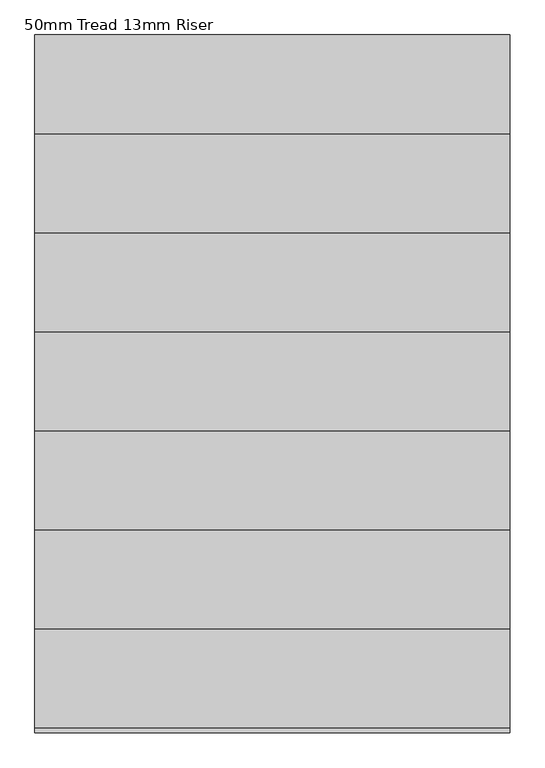
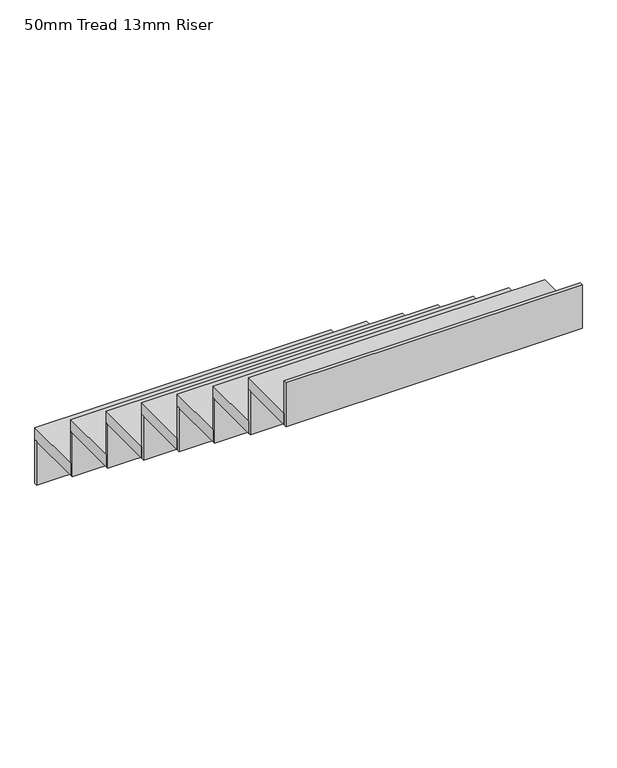
"""IFC4 building model written with IfcOpenShell, lengths in millimetres: stair flight geometry, 50mm Tread 13mm Riser."""

from ifc_helpers import new_model, si_unit, frame, origin, place, context, project, spatial, polyline, outline, extrude, source, transform, mapped, element, save


def stair_flight_50mm_tread_13mm_riser_bc210bd3(model_context):
    return source(origin(), model_context, "Body", "SweptSolid", [
        extrude(outline(polyline([(-20882.9044643, 2815.3449078), (-20882.9044643, 2827.8449078), (-19682.9044643, 2827.8449078), (-19682.9044643, 2815.3449078), (-20882.9044643, 2815.3449078)])), frame((0.0, 0.0, -1550.0), z_axis=(0.0, 0.0, 1.0), x_axis=(1.0, 0.0, 0.0)), (0.0, 0.0, 1.0), 187.5),
        extrude(outline(polyline([(-19682.9044643, 2577.8449078), (-20882.9044643, 2577.8449078), (-20882.9044643, 2827.8449078), (-19682.9044643, 2827.8449078), (-19682.9044643, 2577.8449078)])), frame((0.0, 0.0, -1362.5), z_axis=(0.0, 0.0, 1.0), x_axis=(1.0, 0.0, 0.0)), (0.0, 0.0, 1.0), 50.0),
        extrude(outline(polyline([(-20882.9044643, 2565.3449078), (-20882.9044643, 2577.8449078), (-19682.9044643, 2577.8449078), (-19682.9044643, 2565.3449078), (-20882.9044643, 2565.3449078)])), frame((0.0, 0.0, -1362.5), z_axis=(0.0, 0.0, 1.0), x_axis=(1.0, 0.0, 0.0)), (0.0, 0.0, 1.0), 187.5),
        extrude(outline(polyline([(-19682.9044643, 2327.8449078), (-20882.9044643, 2327.8449078), (-20882.9044643, 2577.8449078), (-19682.9044643, 2577.8449078), (-19682.9044643, 2327.8449078)])), frame((0.0, 0.0, -1175.0), z_axis=(0.0, 0.0, 1.0), x_axis=(1.0, 0.0, 0.0)), (0.0, 0.0, 1.0), 50.0),
        extrude(outline(polyline([(-20882.9044643, 2315.3449078), (-20882.9044643, 2327.8449078), (-19682.9044643, 2327.8449078), (-19682.9044643, 2315.3449078), (-20882.9044643, 2315.3449078)])), frame((0.0, 0.0, -1175.0), z_axis=(0.0, 0.0, 1.0), x_axis=(1.0, 0.0, 0.0)), (0.0, 0.0, 1.0), 187.5),
        extrude(outline(polyline([(-19682.9044643, 2077.8449078), (-20882.9044643, 2077.8449078), (-20882.9044643, 2327.8449078), (-19682.9044643, 2327.8449078), (-19682.9044643, 2077.8449078)])), frame((0.0, 0.0, -987.5), z_axis=(0.0, 0.0, 1.0), x_axis=(1.0, 0.0, 0.0)), (0.0, 0.0, 1.0), 50.0),
        extrude(outline(polyline([(-20882.9044643, 2065.3449078), (-20882.9044643, 2077.8449078), (-19682.9044643, 2077.8449078), (-19682.9044643, 2065.3449078), (-20882.9044643, 2065.3449078)])), frame((0.0, 0.0, -987.5), z_axis=(0.0, 0.0, 1.0), x_axis=(1.0, 0.0, 0.0)), (0.0, 0.0, 1.0), 187.5),
        extrude(outline(polyline([(-19682.9044643, 1827.8449078), (-20882.9044643, 1827.8449078), (-20882.9044643, 2077.8449078), (-19682.9044643, 2077.8449078), (-19682.9044643, 1827.8449078)])), frame((0.0, 0.0, -800.0), z_axis=(0.0, 0.0, 1.0), x_axis=(1.0, 0.0, 0.0)), (0.0, 0.0, 1.0), 50.0),
        extrude(outline(polyline([(-20882.9044643, 1815.3449078), (-20882.9044643, 1827.8449078), (-19682.9044643, 1827.8449078), (-19682.9044643, 1815.3449078), (-20882.9044643, 1815.3449078)])), frame((0.0, 0.0, -800.0), z_axis=(0.0, 0.0, 1.0), x_axis=(1.0, 0.0, 0.0)), (0.0, 0.0, 1.0), 187.5),
        extrude(outline(polyline([(-19682.9044643, 1577.8449078), (-20882.9044643, 1577.8449078), (-20882.9044643, 1827.8449078), (-19682.9044643, 1827.8449078), (-19682.9044643, 1577.8449078)])), frame((0.0, 0.0, -612.5), z_axis=(0.0, 0.0, 1.0), x_axis=(1.0, 0.0, 0.0)), (0.0, 0.0, 1.0), 50.0),
        extrude(outline(polyline([(-20882.9044643, 1565.3449078), (-20882.9044643, 1577.8449078), (-19682.9044643, 1577.8449078), (-19682.9044643, 1565.3449078), (-20882.9044643, 1565.3449078)])), frame((0.0, 0.0, -612.5), z_axis=(0.0, 0.0, 1.0), x_axis=(1.0, 0.0, 0.0)), (0.0, 0.0, 1.0), 187.5),
        extrude(outline(polyline([(-19682.9044643, 1327.8449078), (-20882.9044643, 1327.8449078), (-20882.9044643, 1577.8449078), (-19682.9044643, 1577.8449078), (-19682.9044643, 1327.8449078)])), frame((0.0, 0.0, -425.0), z_axis=(0.0, 0.0, 1.0), x_axis=(1.0, 0.0, 0.0)), (0.0, 0.0, 1.0), 50.0),
        extrude(outline(polyline([(-20882.9044643, 1315.3449078), (-20882.9044643, 1327.8449078), (-19682.9044643, 1327.8449078), (-19682.9044643, 1315.3449078), (-20882.9044643, 1315.3449078)])), frame((0.0, 0.0, -425.0), z_axis=(0.0, 0.0, 1.0), x_axis=(1.0, 0.0, 0.0)), (0.0, 0.0, 1.0), 187.5),
        extrude(outline(polyline([(-19682.9044643, 1077.8449078), (-20882.9044643, 1077.8449078), (-20882.9044643, 1327.8449078), (-19682.9044643, 1327.8449078), (-19682.9044643, 1077.8449078)])), frame((0.0, 0.0, -237.5), z_axis=(0.0, 0.0, 1.0), x_axis=(1.0, 0.0, 0.0)), (0.0, 0.0, 1.0), 50.0),
        extrude(outline(polyline([(-20882.9044643, 1065.3449078), (-20882.9044643, 1077.8449078), (-19682.9044643, 1077.8449078), (-19682.9044643, 1065.3449078), (-20882.9044643, 1065.3449078)])), frame((0.0, 0.0, -237.5), z_axis=(0.0, 0.0, 1.0), x_axis=(1.0, 0.0, 0.0)), (0.0, 0.0, 1.0), 187.5),
    ])


if __name__ == "__main__":
    model = new_model("IFC4")
    model_context = context("Model", 3, world=origin())
    ifc_project = project(units=[si_unit("LENGTHUNIT", "METRE", prefix="MILLI")], contexts=[model_context])
    site = spatial("IfcSite", under=ifc_project)
    building = spatial("IfcBuilding", under=site)
    placement = place(None, origin())
    stair_flight_50mm_tread_13mm_riser_shape = stair_flight_50mm_tread_13mm_riser_bc210bd3(model_context)
    element("IfcStairFlight", 1, ObjectType="50mm Tread 13mm Riser", at=placement, inside=building, context=model_context, shape_type="MappedRepresentation", body=[
        mapped(stair_flight_50mm_tread_13mm_riser_shape, transform((0.0, 0.0, 0.0), x_axis=(1.0, 0.0, 0.0), y_axis=(0.0, 1.0, 0.0), z_axis=(0.0, 0.0, 1.0))),
    ])
    save(model, "model.ifc")
